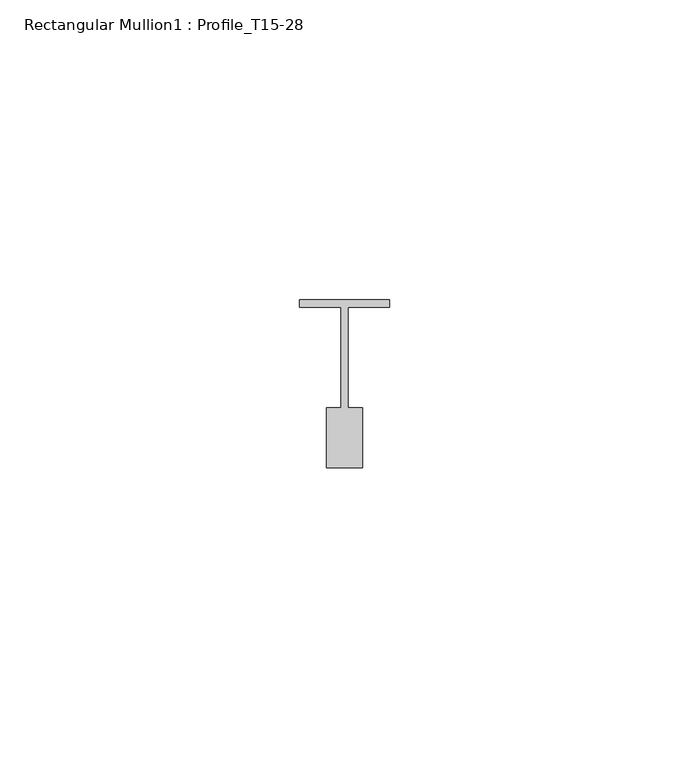
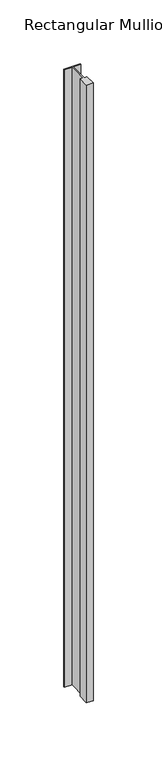
"""IFC4 building model written with IfcOpenShell, lengths in millimetres: member geometry, Rectangular Mullion1 : Profile_T15-28."""

from ifc_helpers import new_model, si_unit, frame, origin, place, context, project, spatial, polyline, outline, extrude, source, transform, mapped, element, save


def rectangular_mullion1_profile_t15_28_3ca145a3(model_context):
    return source(origin(), model_context, "Body", "SweptSolid", [
        extrude(outline(polyline([(-7.5, 1.5), (7.5, 1.5), (7.5, 0.25), (0.6, 0.25), (0.6, -16.5), (3.0, -16.5), (3.0, -26.5), (-3.0, -26.5), (-3.0, -16.5), (-0.6, -16.5), (-0.6, 0.25), (-7.5, 0.25), (-7.5, 1.5)])), frame((0.0, 0.0, -592.5), z_axis=(0.0, 0.0, 1.0), x_axis=(1.0, 0.0, 0.0)), (0.0, 0.0, 1.0), 592.5),
    ])


if __name__ == "__main__":
    model = new_model("IFC4")
    model_context = context("Model", 3, world=origin())
    ifc_project = project(units=[si_unit("LENGTHUNIT", "METRE", prefix="MILLI")], contexts=[model_context])
    site = spatial("IfcSite", under=ifc_project)
    building = spatial("IfcBuilding", under=site)
    placement = place(None, origin())
    rectangular_mullion1_profile_t15_28_shape = rectangular_mullion1_profile_t15_28_3ca145a3(model_context)
    element("IfcMember", 1, ObjectType="Rectangular Mullion1 : Profile_T15-28", at=placement, inside=building, context=model_context, shape_type="MappedRepresentation", body=[
        mapped(rectangular_mullion1_profile_t15_28_shape, transform((0.0, 0.0, 0.0), x_axis=(1.0, 0.0, 0.0), y_axis=(0.0, 1.0, 0.0), z_axis=(0.0, 0.0, 1.0))),
    ])
    save(model, "model.ifc")
